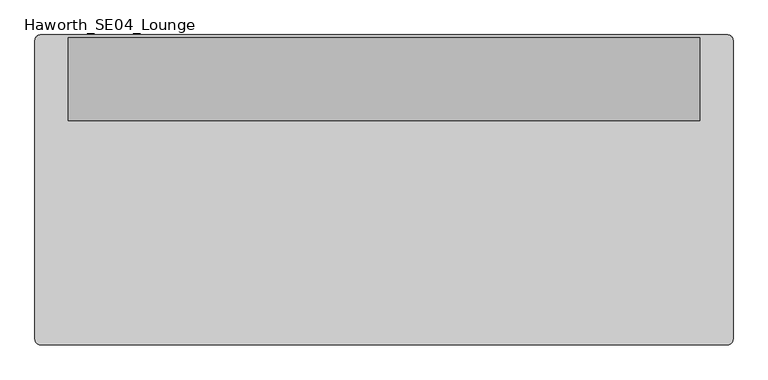
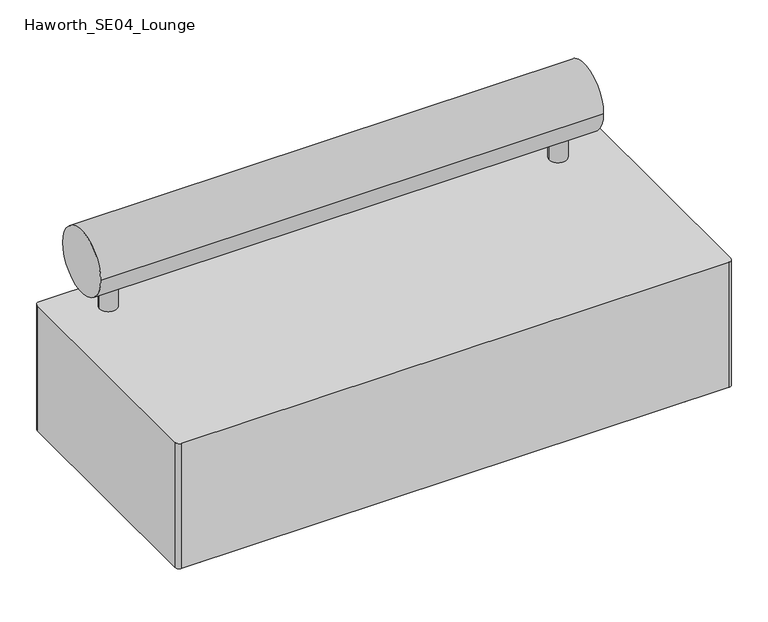
"""IFC4 building model written with IfcOpenShell, lengths in millimetres: furniture geometry, Haworth_SE04_Lounge."""

from ifc_helpers import new_model, si_unit, point, frame, frame_2d, origin, origin_with_axes, place, context, project, spatial, polyline, circle_curve, trimmed, segment, composite_curve, outline, extrude, source, transform, mapped, element, save


def haworth_se04_lounge_64faee62(model_context):
    return source(origin(), model_context, "Body", "SweptSolid", [
        extrude(outline(composite_curve([segment(trimmed(circle_curve(frame_2d((647.7, 254.0)), 25.4), [point((673.1, 254.0))], [point((622.3, 254.0))], False, "CARTESIAN"), True, "CONTINUOUS"), segment(trimmed(circle_curve(frame_2d((647.7, 254.0)), 25.4), [point((622.3, 254.0))], [point((673.1, 254.0))], False, "CARTESIAN"), True, "CONTINUOUS")], self_intersect=False)), frame((0.0, 0.0, 431.8), z_axis=(0.0, 0.0, 1.0), x_axis=(1.0, 0.0, 0.0)), (0.0, 0.0, 1.0), 76.2),
        extrude(outline(composite_curve([segment(trimmed(circle_curve(frame_2d((-647.7, 254.0)), 25.4), [point((-673.1, 254.0))], [point((-622.3, 254.0))], False, "CARTESIAN"), True, "CONTINUOUS"), segment(trimmed(circle_curve(frame_2d((-647.7, 254.0)), 25.4), [point((-622.3, 254.0))], [point((-673.1, 254.0))], False, "CARTESIAN"), True, "CONTINUOUS")], self_intersect=False)), frame((0.0, 0.0, 431.8), z_axis=(0.0, 0.0, 1.0), x_axis=(1.0, 0.0, 0.0)), (0.0, 0.0, 1.0), 76.2),
        extrude(outline(composite_curve([segment(trimmed(circle_curve(frame_2d((0.0, 254.0)), 38.1), [point((-38.1, 254.0))], [point((38.1, 254.0))], False, "CARTESIAN"), True, "CONTINUOUS"), segment(trimmed(circle_curve(frame_2d((0.0, 254.0)), 38.1), [point((38.1, 254.0))], [point((-38.1, 254.0))], False, "CARTESIAN"), True, "CONTINUOUS")], self_intersect=False)), origin_with_axes(), (0.0, 0.0, 1.0), 50.8),
        extrude(outline(composite_curve([segment(trimmed(circle_curve(frame_2d((0.0, -254.0)), 38.1), [point((-38.1, -254.0))], [point((38.1, -254.0))], False, "CARTESIAN"), True, "CONTINUOUS"), segment(trimmed(circle_curve(frame_2d((0.0, -254.0)), 38.1), [point((38.1, -254.0))], [point((-38.1, -254.0))], False, "CARTESIAN"), True, "CONTINUOUS")], self_intersect=False)), origin_with_axes(), (0.0, 0.0, 1.0), 50.8),
        extrude(outline(composite_curve([segment(trimmed(circle_curve(frame_2d((-698.5, 254.0)), 34.925), [point((-733.425, 254.0))], [point((-663.575, 254.0))], False, "CARTESIAN"), True, "CONTINUOUS"), segment(trimmed(circle_curve(frame_2d((-698.5, 254.0)), 34.925), [point((-663.575, 254.0))], [point((-733.425, 254.0))], False, "CARTESIAN"), True, "CONTINUOUS")], self_intersect=False)), origin_with_axes(), (0.0, 0.0, 1.0), 50.8),
        extrude(outline(composite_curve([segment(trimmed(circle_curve(frame_2d((698.5, 254.0)), 38.1), [point((660.4, 254.0))], [point((736.6, 254.0))], False, "CARTESIAN"), True, "CONTINUOUS"), segment(trimmed(circle_curve(frame_2d((698.5, 254.0)), 38.1), [point((736.6, 254.0))], [point((660.4, 254.0))], False, "CARTESIAN"), True, "CONTINUOUS")], self_intersect=False)), origin_with_axes(), (0.0, 0.0, 1.0), 50.8),
        extrude(outline(composite_curve([segment(trimmed(circle_curve(frame_2d((698.5, -254.0)), 38.1), [point((660.4, -254.0))], [point((736.6, -254.0))], False, "CARTESIAN"), True, "CONTINUOUS"), segment(trimmed(circle_curve(frame_2d((698.5, -254.0)), 38.1), [point((736.6, -254.0))], [point((660.4, -254.0))], False, "CARTESIAN"), True, "CONTINUOUS")], self_intersect=False)), origin_with_axes(), (0.0, 0.0, 1.0), 50.8),
        extrude(outline(composite_curve([segment(trimmed(circle_curve(frame_2d((-698.5, -254.0)), 38.1), [point((-736.6, -254.0))], [point((-660.4, -254.0))], False, "CARTESIAN"), True, "CONTINUOUS"), segment(trimmed(circle_curve(frame_2d((-698.5, -254.0)), 38.1), [point((-660.4, -254.0))], [point((-736.6, -254.0))], False, "CARTESIAN"), True, "CONTINUOUS")], self_intersect=False)), origin_with_axes(), (0.0, 0.0, 1.0), 50.8),
        extrude(outline(composite_curve([segment(trimmed(circle_curve(frame_2d((787.4, 342.9)), 12.7), [point((787.4, 355.6))], [point((800.1, 342.9))], False, "CARTESIAN"), True, "CONTINUOUS"), segment(polyline([(800.1, 342.9), (800.1, -342.9)]), True, "CONTINUOUS"), segment(trimmed(circle_curve(frame_2d((787.4, -342.9)), 12.7), [point((800.1, -342.9))], [point((787.4, -355.6))], False, "CARTESIAN"), True, "CONTINUOUS"), segment(polyline([(787.4, -355.6), (-787.4, -355.6)]), True, "CONTINUOUS"), segment(trimmed(circle_curve(frame_2d((-787.4, -342.9)), 12.7), [point((-787.4, -355.6))], [point((-800.1, -342.9))], False, "CARTESIAN"), True, "CONTINUOUS"), segment(polyline([(-800.1, -342.9), (-800.1, 342.9)]), True, "CONTINUOUS"), segment(trimmed(circle_curve(frame_2d((-787.4, 342.9)), 12.7), [point((-800.1, 342.9))], [point((-787.4, 355.6))], False, "CARTESIAN"), True, "CONTINUOUS"), segment(polyline([(-787.4, 355.6), (787.4, 355.6)]), True, "CONTINUOUS")], self_intersect=False)), frame((0.0, 0.0, 50.8), z_axis=(0.0, 0.0, 1.0), x_axis=(1.0, 0.0, 0.0)), (0.0, 0.0, 1.0), 381.0),
        extrude(outline(composite_curve([segment(trimmed(circle_curve(frame_2d((254.0, 594.0414293)), 94.8175255), [point((159.1824745, 594.0414293))], [point((348.8175255, 594.0414293))], False, "CARTESIAN"), True, "CONTINUOUS"), segment(trimmed(circle_curve(frame_2d((254.0, 594.0414293)), 94.8175255), [point((348.8175255, 594.0414293))], [point((159.1824745, 594.0414293))], False, "CARTESIAN"), True, "CONTINUOUS")], self_intersect=False)), frame((-723.9, 0.0, 0.0), z_axis=(1.0, 0.0, 0.0), x_axis=(0.0, 1.0, 0.0)), (0.0, 0.0, 1.0), 1447.8),
    ])


if __name__ == "__main__":
    model = new_model("IFC4")
    model_context = context("Model", 3, world=origin())
    ifc_project = project(units=[si_unit("LENGTHUNIT", "METRE", prefix="MILLI")], contexts=[model_context])
    site = spatial("IfcSite", under=ifc_project)
    building = spatial("IfcBuilding", under=site)
    placement = place(None, origin())
    haworth_se04_lounge_shape = haworth_se04_lounge_64faee62(model_context)
    element("IfcFurniture", 1, ObjectType="Haworth_SE04_Lounge", at=placement, inside=building, context=model_context, shape_type="MappedRepresentation", body=[
        mapped(haworth_se04_lounge_shape, transform((0.0, 0.0, 0.0), x_axis=(1.0, 0.0, 0.0), y_axis=(0.0, 1.0, 0.0), z_axis=(0.0, 0.0, 1.0))),
    ])
    save(model, "model.ifc")
